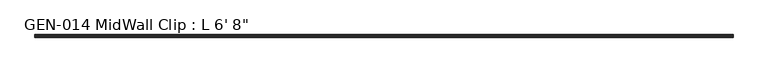
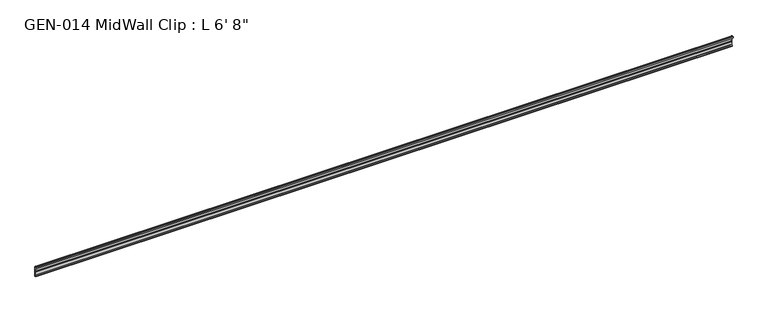
"""IFC4 building model written with IfcOpenShell, lengths in millimetres: proxy geometry."""

from ifc_helpers import new_model, si_unit, point, frame, frame_2d, origin, place, context, project, spatial, polyline, circle_curve, trimmed, segment, composite_curve, outline, extrude, source, transform, mapped, element, save


def proxy_537fa596(model_context):
    return source(origin(), model_context, "Body", "SweptSolid", [
        extrude(outline(composite_curve([segment(polyline([(2.1386113, 32.1158903), (3.9735584, 32.6885982)]), True, "CONTINUOUS"), segment(trimmed(circle_curve(frame_2d((4.1838513, 32.2686835)), 0.4696291), [point((3.9735584, 32.6885982))], [point((4.6534804, 32.2686835))], False, "CARTESIAN"), True, "CONTINUOUS"), segment(polyline([(4.6534804, 32.2686835), (4.6534804, 30.7270734)]), True, "CONTINUOUS"), segment(trimmed(circle_curve(frame_2d((6.2409804, 30.7270734)), 1.5875), [point((4.6534804, 30.7270734))], [point((6.2409804, 29.1395734))], True, "CARTESIAN"), True, "CONTINUOUS"), segment(polyline([(6.2409804, 29.1395734), (7.5485426, 29.1395734), (7.5485426, 0.0), (4.055874, 0.0), (4.055874, 1.6102595)]), True, "CONTINUOUS"), segment(trimmed(circle_curve(frame_2d((4.0560426, 3.5152595)), 1.905), [point((4.055874, 1.6102595))], [point((5.9610426, 3.5152595))], True, "CARTESIAN"), True, "CONTINUOUS"), segment(polyline([(5.9610426, 3.5152595), (5.9610426, 4.6343152), (5.9610426, 12.4909614), (6.4702065, 13.408381), (6.4702065, 14.7485418), (5.9610426, 15.6659614), (5.9610426, 26.8535734)]), True, "CONTINUOUS"), segment(trimmed(circle_curve(frame_2d((5.4530426, 26.8535734)), 0.508), [point((5.9610426, 26.8535734))], [point((5.4361592, 27.3612928))], True, "CARTESIAN"), True, "CONTINUOUS"), segment(trimmed(circle_curve(frame_2d((5.4154804, 26.5995734)), 0.762), [point((5.4361592, 27.3612928))], [point((4.6764599, 26.4138515))], True, "CARTESIAN"), True, "CONTINUOUS"), segment(trimmed(circle_curve(frame_2d((4.1230664, 26.2747792)), 0.5706009), [point((4.6764599, 26.4138515))], [point((3.9349539, 25.7360779))], False, "CARTESIAN"), True, "CONTINUOUS"), segment(polyline([(3.9349539, 25.7360779), (2.1386113, 26.2967369)]), True, "CONTINUOUS"), segment(trimmed(circle_curve(frame_2d((3.0467234, 29.2063136)), 3.048), [point((2.1386113, 26.2967369))], [point((0.4447727, 30.7938136))], False, "CARTESIAN"), True, "CONTINUOUS"), segment(trimmed(circle_curve(frame_2d((3.0467234, 29.2063136)), 3.048), [point((0.4447727, 30.7938136))], [point((2.1386113, 32.1158903))], False, "CARTESIAN"), True, "CONTINUOUS")], self_intersect=False)), frame((-1727.2, 0.0, 0.0), z_axis=(1.0, 0.0, 0.0), x_axis=(0.0, 1.0, 0.0)), (0.0, 0.0, 1.0), 2032.0),
    ])


if __name__ == "__main__":
    model = new_model("IFC4")
    model_context = context("Model", 3, world=origin())
    ifc_project = project(units=[si_unit("LENGTHUNIT", "METRE", prefix="MILLI")], contexts=[model_context])
    site = spatial("IfcSite", under=ifc_project)
    building = spatial("IfcBuilding", under=site)
    placement = place(None, origin())
    proxy_shape = proxy_537fa596(model_context)
    element("IfcBuildingElementProxy", 1, Name="GEN-014 MidWall Clip : L 6' 8\"", ObjectType="GEN-014 MidWall Clip : L 6' 8\"", at=placement, inside=building, context=model_context, shape_type="MappedRepresentation", body=[
        mapped(proxy_shape, transform((0.0, 0.0, 0.0), x_axis=(1.0, 0.0, 0.0), y_axis=(0.0, 1.0, 0.0), z_axis=(0.0, 0.0, 1.0))),
    ])
    save(model, "model.ifc")
